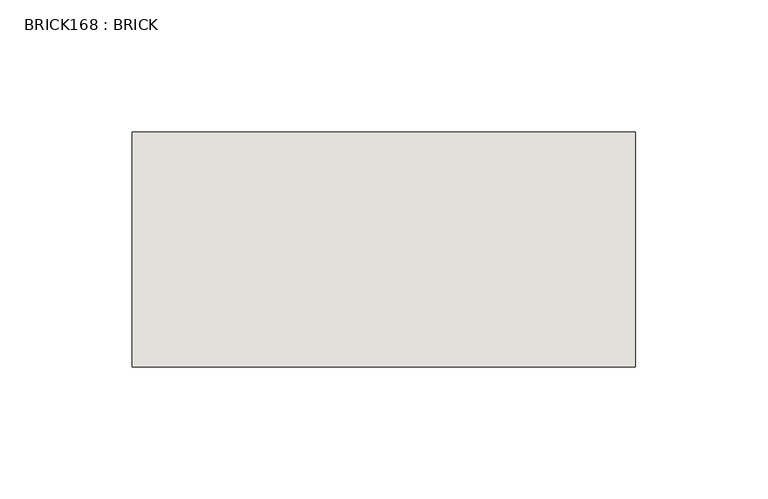
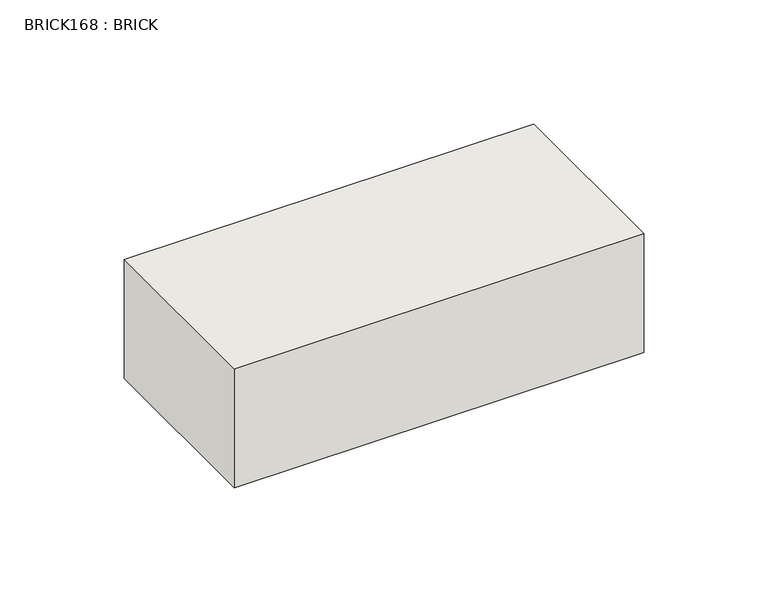
"""IFC4 building model written with IfcOpenShell, lengths in millimetres: wall geometry, BRICK168 : BRICK."""

from ifc_helpers import new_model, si_unit, frame, origin, place, context, project, spatial, polyline, outline, extrude, source, transform, mapped, element, save


def brick168_brick_2c23be8e(model_context):
    return source(origin(), model_context, "Body", "SweptSolid", [
        extrude(outline(polyline([(44.0683761, 3062.3923312), (234.5683761, 3062.3923312), (234.5683761, 2973.4923312), (44.0683761, 2973.4923312), (44.0683761, 3062.3923312)])), frame((0.0, 0.0, 214.0148438), z_axis=(0.0, 0.0, 1.0), x_axis=(1.0, 0.0, 0.0)), (0.0, 0.0, 1.0), 58.4398437),
    ])


if __name__ == "__main__":
    model = new_model("IFC4")
    model_context = context("Model", 3, world=origin())
    ifc_project = project(units=[si_unit("LENGTHUNIT", "METRE", prefix="MILLI")], contexts=[model_context])
    site = spatial("IfcSite", under=ifc_project)
    building = spatial("IfcBuilding", under=site)
    placement = place(None, origin())
    brick168_brick_shape = brick168_brick_2c23be8e(model_context)
    element("IfcWall", 1, ObjectType="BRICK168 : BRICK", at=placement, inside=building, context=model_context, shape_type="MappedRepresentation", body=[
        mapped(brick168_brick_shape, transform((0.0, 0.0, 0.0), x_axis=(1.0, 0.0, 0.0), y_axis=(0.0, 1.0, 0.0), z_axis=(0.0, 0.0, 1.0))),
    ])
    save(model, "model.ifc")
